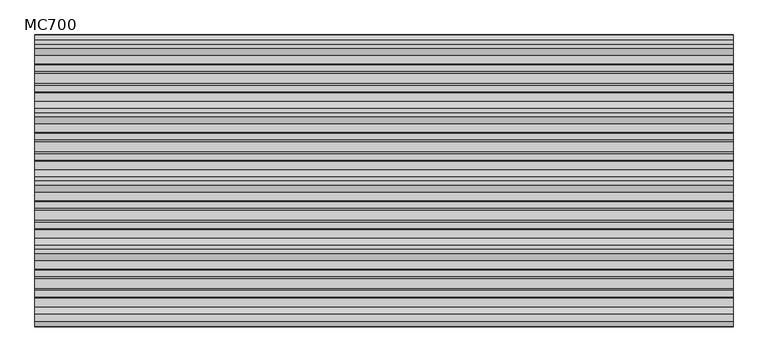
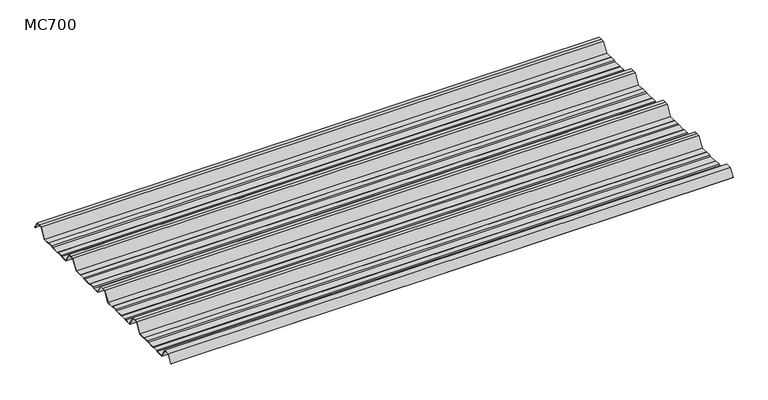
"""IFC4 building model written with IfcOpenShell, lengths in millimetres: beam geometry, MC700."""

import ifcopenshell
import ifcopenshell.guid

model = None  # the IFC model being written
_history = None  # IfcOwnerHistory: only IFC2X3 demands one
_inside = {}  # id of a spatial element -> (the spatial element, [elements in it])
_under = {}  # id of a project, library or spatial element -> (it, [spatial elements below it])
_declared = {}  # id of a project -> (the project, [libraries it declares])
_typed = {}  # id of a type object -> (the type object, [elements of that type])
_made_of = {}  # id of a material, layer set ... -> (it, [elements and type objects made of it])


def new_model(schema):
    """Start an empty IFC model of exactly this schema.

    Asked for "IFC4X3", IfcOpenShell would pick the latest addendum, in which some entities
    have other attributes; the version numbers below select the first issue.
    IFC2X3 requires an IfcOwnerHistory on every rooted entity: one is made here for all.
    """
    global model, _history
    if schema == "IFC4X3":
        model = ifcopenshell.file(schema_version=(4, 3, 0, 0))
    else:
        model = ifcopenshell.file(schema=schema)
    _inside.clear()
    _under.clear()
    _declared.clear()
    _typed.clear()
    _made_of.clear()
    _history = None
    if model.schema == "IFC2X3":
        org = make("IfcOrganization", Name="unknown")
        user = make(
            "IfcPersonAndOrganization",
            ThePerson=make("IfcPerson", FamilyName="unknown"),
            TheOrganization=org,
        )
        app = make(
            "IfcApplication",
            ApplicationDeveloper=org,
            Version="unknown",
            ApplicationFullName="unknown",
            ApplicationIdentifier="unknown",
        )
        _history = make(
            "IfcOwnerHistory",
            OwningUser=user,
            OwningApplication=app,
            ChangeAction="ADDED",
            CreationDate=0,
        )
    return model


def make(cls, **values):
    """One entity of the class cls with the attributes given. An attribute that is None is left unset."""
    return model.create_entity(
        cls, **{name: value for name, value in values.items() if value is not None}
    )


def rooted(cls, **values):
    """An entity with a GlobalId (a new one), such as an element, a storey or a relation."""
    return make(cls, GlobalId=ifcopenshell.guid.new(), OwnerHistory=_history, **values)


def si_unit(unit_type, name, prefix=None):
    """IfcSIUnit, for example si_unit("LENGTHUNIT", "METRE", prefix="MILLI")."""
    return make("IfcSIUnit", UnitType=unit_type, Prefix=prefix, Name=name)


def assignment(units):
    """IfcUnitAssignment: the units of a project."""
    return None if units is None else make("IfcUnitAssignment", Units=units)


def point(xyz):
    """IfcCartesianPoint."""
    return None if xyz is None else make("IfcCartesianPoint", Coordinates=xyz)


def direction(xyz):
    """IfcDirection."""
    return None if xyz is None else make("IfcDirection", DirectionRatios=xyz)


def frame(location, z_axis=None, x_axis=None):
    """IfcAxis2Placement3D, a coordinate frame: its origin and axes. An axis left out is left unset."""
    return make(
        "IfcAxis2Placement3D",
        Location=point(location),
        Axis=direction(z_axis),
        RefDirection=direction(x_axis),
    )


def frame_2d(location, x_axis=None):
    """IfcAxis2Placement2D, a coordinate frame in the plane: its origin and x axis."""
    return make(
        "IfcAxis2Placement2D", Location=point(location), RefDirection=direction(x_axis)
    )


def origin():
    """The frame at (0, 0, 0) with its axes left unset."""
    return frame((0.0, 0.0, 0.0))


def place(relative_to, where):
    """IfcLocalPlacement: puts the frame where relative to a parent placement (None: the world)."""
    return make(
        "IfcLocalPlacement", PlacementRelTo=relative_to, RelativePlacement=where
    )


def context(
    kind, dimensions, precision=None, world=None, true_north=None, identifier=None
):
    """IfcGeometricRepresentationContext, for example the 3D "Model" context."""
    return make(
        "IfcGeometricRepresentationContext",
        ContextIdentifier=identifier,
        ContextType=kind,
        CoordinateSpaceDimension=dimensions,
        Precision=precision,
        WorldCoordinateSystem=world,
        TrueNorth=true_north,
    )


def project(units=None, contexts=None):
    """IfcProject with its units and contexts."""
    return rooted(
        "IfcProject",
        Name="project",
        RepresentationContexts=contexts,
        UnitsInContext=assignment(units),
    )


def spatial(cls, under=None, at=None, **own):
    """A site, building, storey or space (cls), placed at a placement, below another one or the project."""
    s = rooted(cls, ObjectPlacement=at, **own)
    if under is not None:
        _under.setdefault(under.id(), (under, []))[1].append(s)
    return s


def polyline(points):
    """IfcPolyline through the points."""
    return make("IfcPolyline", Points=[point(p) for p in points])


def circle_curve(where, radius):
    """IfcCircle in the frame where."""
    return make("IfcCircle", Position=where, Radius=radius)


def trimmed(basis, trim1, trim2, sense, master):
    """IfcTrimmedCurve: the piece of a basis curve between two trims."""
    return make(
        "IfcTrimmedCurve",
        BasisCurve=basis,
        Trim1=trim1,
        Trim2=trim2,
        SenseAgreement=sense,
        MasterRepresentation=master,
    )


def segment(curve, same_sense, transition):
    """IfcCompositeCurveSegment."""
    return make(
        "IfcCompositeCurveSegment",
        Transition=transition,
        SameSense=same_sense,
        ParentCurve=curve,
    )


def composite_curve(segments, self_intersect=None):
    """IfcCompositeCurve: segments joined end to end."""
    return make("IfcCompositeCurve", Segments=segments, SelfIntersect=self_intersect)


def outline(outer, holes=None, kind="AREA"):
    """IfcArbitraryClosedProfileDef: a profile drawn as a closed curve; with holes, ...WithVoids."""
    if holes is None:
        return make("IfcArbitraryClosedProfileDef", ProfileType=kind, OuterCurve=outer)
    return make(
        "IfcArbitraryProfileDefWithVoids",
        ProfileType=kind,
        OuterCurve=outer,
        InnerCurves=holes,
    )


def extrude(swept, where, along, depth):
    """IfcExtrudedAreaSolid: the profile swept, set in the frame where, extruded along a direction by depth."""
    return make(
        "IfcExtrudedAreaSolid",
        SweptArea=swept,
        Position=where,
        ExtrudedDirection=direction(along),
        Depth=depth,
    )


def shape(context_of_items, identifier, shape_type, items):
    """IfcShapeRepresentation: the items that make up one representation, for example the "Body"."""
    return make(
        "IfcShapeRepresentation",
        ContextOfItems=context_of_items,
        RepresentationIdentifier=identifier,
        RepresentationType=shape_type,
        Items=items,
    )


def source(mapping_origin, context_of_items, identifier, shape_type, items):
    """IfcRepresentationMap: a shape defined once, which mapped items show again and again."""
    return make(
        "IfcRepresentationMap",
        MappingOrigin=mapping_origin,
        MappedRepresentation=shape(context_of_items, identifier, shape_type, items),
    )


def transform(
    local_origin,
    x_axis=None,
    y_axis=None,
    z_axis=None,
    scale=None,
    scale2=None,
    scale3=None,
    uniform=True,
):
    """IfcCartesianTransformationOperator3D, or its non-uniform kind. x_axis, y_axis, z_axis: its Axis1, 2, 3."""
    if uniform:
        return make(
            "IfcCartesianTransformationOperator3D",
            Axis1=direction(x_axis),
            Axis2=direction(y_axis),
            LocalOrigin=point(local_origin),
            Scale=scale,
            Axis3=direction(z_axis),
        )
    return make(
        "IfcCartesianTransformationOperator3DnonUniform",
        Axis1=direction(x_axis),
        Axis2=direction(y_axis),
        LocalOrigin=point(local_origin),
        Scale=scale,
        Axis3=direction(z_axis),
        Scale2=scale2,
        Scale3=scale3,
    )


def mapped(mapping_source, mapping_target):
    """IfcMappedItem: shows the shape of a source again, moved by a transform."""
    return make(
        "IfcMappedItem", MappingSource=mapping_source, MappingTarget=mapping_target
    )


def made_of(thing, what):
    """Note that an element or type object is made of a material, layer set ...; save() writes the relation."""
    if what is not None:
        _made_of.setdefault(what.id(), (what, []))[1].append(thing)
    return thing


def element(
    cls,
    number,
    at=None,
    inside=None,
    cuts=None,
    type_object=None,
    material=None,
    context=None,
    identifier="Body",
    shape_type=None,
    held_by="IfcProductDefinitionShape",
    body=None,
    shapes=None,
    **own,
):
    """One element of the class cls, such as IfcWall. Its Tag is "e" and its number.

    at: its placement. inside: the storey or other place that contains it. cuts: it is an
    opening in that element (IfcRelVoidsElement). A single representation is given by context,
    identifier, shape_type and body (its items); several are given by shapes. held_by: the class
    of the entity that holds the representations. save() writes the other relations.
    """
    e = rooted(cls, Tag="e%d" % number, ObjectPlacement=at, **own)
    if body is not None:
        shapes = [shape(context, identifier, shape_type, body)]
    if shapes is not None:
        e.Representation = make(held_by, Representations=shapes)
    if inside is not None:
        _inside.setdefault(inside.id(), (inside, []))[1].append(e)
    if cuts is not None:
        rooted(
            "IfcRelVoidsElement", RelatingBuildingElement=cuts, RelatedOpeningElement=e
        )
    if type_object is not None:
        _typed.setdefault(type_object.id(), (type_object, []))[1].append(e)
    return made_of(e, material)


def aggregate(whole, parts):
    """IfcRelAggregates: a whole, such as a stair, and the parts it consists of."""
    return rooted("IfcRelAggregates", RelatingObject=whole, RelatedObjects=parts)


def save(model, path):
    """Write the relations noted so far, then the file.

    IfcRelAggregates (storeys below a building ...), IfcRelContainedInSpatialStructure (elements
    in a storey), IfcRelDefinesByType, IfcRelAssociatesMaterial and IfcRelDeclares: one each for
    every whole, place, type object, material and project.
    """
    for whole, parts in _under.values():
        aggregate(whole, parts)
    for where, things in _inside.values():
        rooted(
            "IfcRelContainedInSpatialStructure",
            RelatedElements=things,
            RelatingStructure=where,
        )
    for kind, things in _typed.values():
        rooted("IfcRelDefinesByType", RelatedObjects=things, RelatingType=kind)
    for what, things in _made_of.values():
        rooted("IfcRelAssociatesMaterial", RelatedObjects=things, RelatingMaterial=what)
    for by, libraries in _declared.values():
        rooted("IfcRelDeclares", RelatingContext=by, RelatedDefinitions=libraries)
    model.write(path)


def mc700_2e5cd101(model_context):
    return source(origin(), model_context, "Body", "SweptSolid", [
        extrude(outline(composite_curve([segment(polyline([(279.7790109, -25.7896475), (252.7209891, -25.7896475), (248.3406714, -23.7494212), (231.9126802, -23.7494212), (228.697636, -25.7896475), (205.9999984, -25.7896475), (187.9254884, 5.2103525), (177.5, 5.2103525), (167.0745116, 5.2103525), (149.0000016, -25.7896475), (126.302364, -25.7896475), (123.0873198, -23.7494212), (106.6593286, -23.7494212), (102.2790109, -25.7896475), (75.2209891, -25.7896475), (70.8406714, -23.7494212), (54.4126802, -23.7494212), (51.197636, -25.7896475), (26.1848779, -25.7896475), (9.2764653, 3.2103525), (-9.2764653, 3.2103525), (-23.4326067, -21.0691651)]), True, "CONTINUOUS"), segment(trimmed(circle_curve(frame_2d((-23.8645497, -20.8173214)), 0.5), [point((-23.4326067, -21.0691651))], [point((-24.2964926, -20.5654776))], False, "CARTESIAN"), True, "CONTINUOUS"), segment(polyline([(-24.2964926, -20.5654776), (-9.8509769, 4.2103525), (9.8509769, 4.2103525), (26.7593894, -24.7896475), (50.9071215, -24.7896475), (54.1221657, -22.7494212), (71.0621349, -22.7494212), (75.4424527, -24.7896475), (102.0575473, -24.7896475), (106.4378651, -22.7494212), (123.3778343, -22.7494212), (126.5928785, -24.7896475), (148.42549, -24.7896475), (166.5, 6.2103525), (177.5, 6.2103525), (188.5, 6.2103525), (206.57451, -24.7896475), (228.4071215, -24.7896475), (231.6221657, -22.7494212), (248.5621349, -22.7494212), (252.9424527, -24.7896475), (279.5575473, -24.7896475), (283.9378651, -22.7494212), (300.8778343, -22.7494212), (304.0928785, -24.7896475), (325.92549, -24.7896475), (344.0, 6.2103525), (355.0, 6.2103525), (366.0, 6.2103525), (384.07451, -24.7896475), (405.9071215, -24.7896475), (409.1221657, -22.7494212), (426.0621349, -22.7494212), (430.4424527, -24.7896475), (457.0575473, -24.7896475), (461.4378651, -22.7494212), (478.3778343, -22.7494212), (481.5928785, -24.7896475), (503.42549, -24.7896475), (521.5, 6.2103525), (532.5, 6.2103525), (543.5, 6.2103525), (561.57451, -24.7896475), (583.4071215, -24.7896475), (586.6221657, -22.7494212), (603.5621349, -22.7494212), (607.9424527, -24.7896475), (634.5575473, -24.7896475), (638.9378651, -22.7494212), (655.8778343, -22.7494212), (659.0928785, -24.7896475), (680.92549, -24.7896475), (699.0, 6.2103525), (710.0, 6.2103525), (721.0, 6.2103525), (733.5921889, -15.3867949)]), True, "CONTINUOUS"), segment(trimmed(circle_curve(frame_2d((733.160246, -15.6386387)), 0.5), [point((733.5921889, -15.3867949))], [point((732.728303, -15.8904825))], False, "CARTESIAN"), True, "CONTINUOUS"), segment(polyline([(732.728303, -15.8904825), (720.4254884, 5.2103525), (710.0, 5.2103525), (699.5745116, 5.2103525), (681.5000016, -25.7896475), (658.802364, -25.7896475), (655.5873198, -23.7494212), (639.1593286, -23.7494212), (634.7790109, -25.7896475), (607.7209891, -25.7896475), (603.3406714, -23.7494212), (586.9126802, -23.7494212), (583.697636, -25.7896475), (560.9999984, -25.7896475), (542.9254884, 5.2103525), (532.5, 5.2103525), (522.0745116, 5.2103525), (504.0000016, -25.7896475), (481.302364, -25.7896475), (478.0873198, -23.7494212), (461.6593286, -23.7494212), (457.2790109, -25.7896475), (430.2209891, -25.7896475), (425.8406714, -23.7494212), (409.4126802, -23.7494212), (406.197636, -25.7896475), (383.4999984, -25.7896475), (365.4254884, 5.2103525), (355.0, 5.2103525), (344.5745116, 5.2103525), (326.5000016, -25.7896475), (303.802364, -25.7896475), (300.5873198, -23.7494212), (284.1593286, -23.7494212), (279.7790109, -25.7896475)]), True, "CONTINUOUS")], self_intersect=False)), frame((-905.0, 0.0, 0.0), z_axis=(1.0, 0.0, 0.0), x_axis=(0.0, 1.0, 0.0)), (0.0, 0.0, 1.0), 1810.0),
    ])


if __name__ == "__main__":
    model = new_model("IFC4")
    model_context = context("Model", 3, world=origin())
    ifc_project = project(units=[si_unit("LENGTHUNIT", "METRE", prefix="MILLI")], contexts=[model_context])
    site = spatial("IfcSite", under=ifc_project)
    building = spatial("IfcBuilding", under=site)
    placement = place(None, origin())
    mc700_shape = mc700_2e5cd101(model_context)
    element("IfcBeam", 1, ObjectType="MC700", at=placement, inside=building, context=model_context, shape_type="MappedRepresentation", body=[
        mapped(mc700_shape, transform((0.0, 0.0, 0.0), x_axis=(1.0, 0.0, 0.0), y_axis=(0.0, 1.0, 0.0), z_axis=(0.0, 0.0, 1.0))),
    ])
    save(model, "model.ifc")
